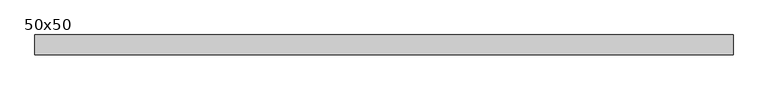
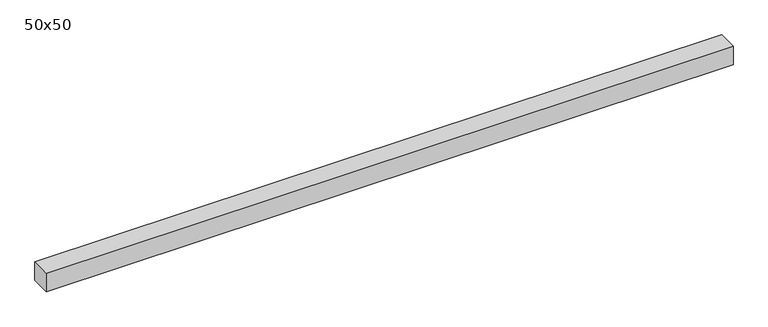
"""IFC4 building model written with IfcOpenShell, lengths in millimetres: beam geometry, 50x50."""

from ifc_helpers import new_model, si_unit, frame, origin, place, context, project, spatial, polyline, outline, extrude, source, transform, mapped, element, save


def beam_50x50_c4e3dc8a(model_context):
    return source(origin(), model_context, "Body", "SweptSolid", [
        extrude(outline(polyline([(875.0, 25.0), (875.0, -25.0), (-875.0, -25.0), (-875.0, 25.0), (875.0, 25.0)])), frame((0.0, 0.0, -25.0), z_axis=(0.0, 0.0, 1.0), x_axis=(1.0, 0.0, 0.0)), (0.0, 0.0, 1.0), 50.0),
    ])


if __name__ == "__main__":
    model = new_model("IFC4")
    model_context = context("Model", 3, world=origin())
    ifc_project = project(units=[si_unit("LENGTHUNIT", "METRE", prefix="MILLI")], contexts=[model_context])
    site = spatial("IfcSite", under=ifc_project)
    building = spatial("IfcBuilding", under=site)
    placement = place(None, origin())
    beam_50x50_shape = beam_50x50_c4e3dc8a(model_context)
    element("IfcBeam", 1, ObjectType="50x50", at=placement, inside=building, context=model_context, shape_type="MappedRepresentation", body=[
        mapped(beam_50x50_shape, transform((0.0, 0.0, 0.0), x_axis=(1.0, 0.0, 0.0), y_axis=(0.0, 1.0, 0.0), z_axis=(0.0, 0.0, 1.0))),
    ])
    save(model, "model.ifc")
